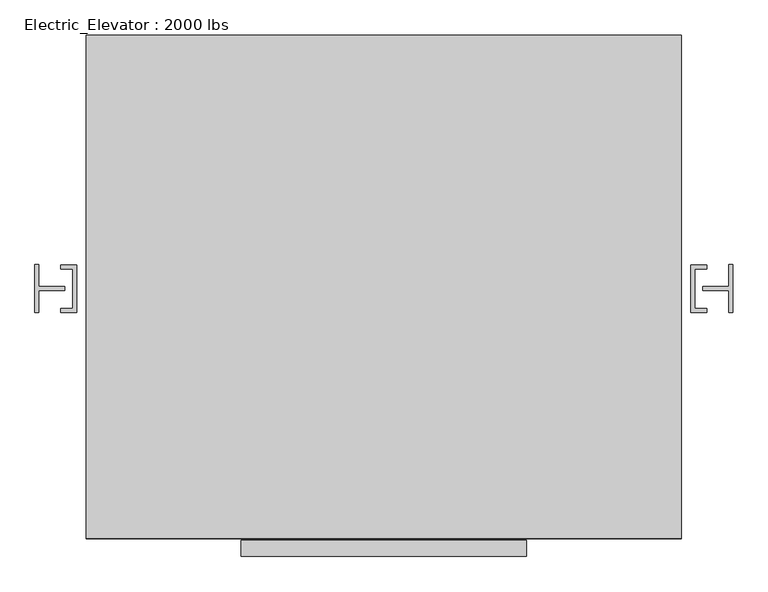
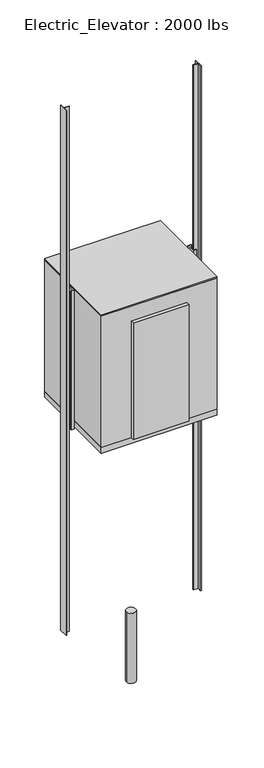
"""IFC4 building model written with IfcOpenShell, lengths in millimetres: proxy geometry, Electric_Elevator : 2000 lbs."""

from ifc_helpers import new_model, si_unit, point, frame, frame_2d, origin, origin_with_axes, place, context, project, spatial, polyline, circle_curve, trimmed, segment, composite_curve, outline, extrude, faceted_brep, source, transform, mapped, element, save


def electric_elevator_2000_lbs_15335e2c(model_context):
    return source(origin(), model_context, "Body", "SolidModel", [
        extrude(outline(polyline([(464.6469965, -854.4281737), (464.6469965, -905.2281737), (-449.7530035, -905.2281737), (-449.7530035, -854.4281737), (464.6469965, -854.4281737)])), frame((0.0, 0.0, 3657.6), z_axis=(0.0, 0.0, 1.0), x_axis=(1.0, 0.0, 0.0)), (0.0, 0.0, 1.0), 2032.0),
        extrude(outline(polyline([(959.9469965, 764.8218263), (959.9469965, -848.0781737), (-945.0530035, -848.0781737), (-945.0530035, 764.8218263), (959.9469965, 764.8218263)])), frame((0.0, 0.0, 5943.6), z_axis=(0.0, 0.0, 1.0), x_axis=(1.0, 0.0, 0.0)), (0.0, 0.0, 1.0), 25.4),
        extrude(outline(composite_curve([segment(trimmed(circle_curve(frame_2d((7.4469965, -47.9781737)), 76.2), [point((-68.7530035, -47.9781737))], [point((83.6469965, -47.9781737))], False, "CARTESIAN"), True, "CONTINUOUS"), segment(trimmed(circle_curve(frame_2d((7.4469965, -47.9781737)), 76.2), [point((83.6469965, -47.9781737))], [point((-68.7530035, -47.9781737))], False, "CARTESIAN"), True, "CONTINUOUS")], self_intersect=False)), frame((0.0, 0.0, -1219.2), z_axis=(0.0, 0.0, 1.0), x_axis=(1.0, 0.0, 0.0)), (0.0, 0.0, 1.0), 1219.2),
        faceted_brep([(959.9469965, 764.8218263, 5943.6), (-945.0530035, 764.8218263, 5943.6), (-945.0530035, -848.0781737, 5943.6), (959.9469965, -848.0781737, 5943.6), (921.8469965, 714.0218263, 5943.6), (921.8469965, -809.9781737, 5943.6), (-906.9530035, -809.9781737, 5943.6), (-906.9530035, 714.0218263, 5943.6), (921.8469965, 714.0218263, 3657.6), (-906.9530035, 714.0218263, 3657.6), (-906.9530035, -809.9781737, 3657.6), (-449.7530035, -809.9781737, 3657.6), (-449.7530035, -848.0781737, 3657.6), (-945.0530035, -848.0781737, 3657.6), (-945.0530035, 764.8218263, 3657.6), (959.9469965, 764.8218263, 3657.6), (959.9469965, -848.0781737, 3657.6), (464.6469965, -848.0781737, 3657.6), (464.6469965, -809.9781737, 3657.6), (921.8469965, -809.9781737, 3657.6), (464.6469965, -809.9781737, 5689.6), (-449.7530035, -809.9781737, 5689.6), (-449.7530035, -848.0781737, 5689.6), (464.6469965, -848.0781737, 5689.6)], [[[0, 1, 2, 3], [4, 5, 6, 7]], [[8, 9, 10, 11, 12, 13, 14, 15, 16, 17, 18, 19]], [[5, 4, 8, 19]], [[6, 5, 19, 18, 20, 21, 11, 10]], [[7, 6, 10, 9]], [[4, 7, 9, 8]], [[1, 0, 15, 14]], [[2, 1, 14, 13]], [[3, 2, 13, 12, 22, 23, 17, 16]], [[0, 3, 16, 15]], [[22, 21, 20, 23]], [[21, 22, 12, 11]], [[23, 20, 18, 17]]]),
        extrude(outline(polyline([(959.9469965, 764.8218263), (959.9469965, -848.0781737), (-945.0530035, -848.0781737), (-945.0530035, 764.8218263), (959.9469965, 764.8218263)])), frame((0.0, 0.0, 3556.0), z_axis=(0.0, 0.0, 1.0), x_axis=(1.0, 0.0, 0.0)), (0.0, 0.0, 1.0), 101.6),
        extrude(outline(polyline([(-976.8030035, 28.2218263), (-976.8030035, -124.1781737), (-1027.6030035, -124.1781737), (-1027.6030035, -111.4781737), (-989.5030035, -111.4781737), (-989.5030035, 15.5218263), (-1027.6030035, 15.5218263), (-1027.6030035, 28.2218263), (-976.8030035, 28.2218263)])), frame((0.0, 0.0, 3556.0), z_axis=(0.0, 0.0, 1.0), x_axis=(1.0, 0.0, 0.0)), (0.0, 0.0, 1.0), 2413.0),
        extrude(outline(polyline([(991.6969965, 28.2218263), (1042.4969965, 28.2218263), (1042.4969965, 15.5218263), (1004.3969965, 15.5218263), (1004.3969965, -111.4781737), (1042.4969965, -111.4781737), (1042.4969965, -124.1781737), (991.6969965, -124.1781737), (991.6969965, 28.2218263)])), frame((0.0, 0.0, 3556.0), z_axis=(0.0, 0.0, 1.0), x_axis=(1.0, 0.0, 0.0)), (0.0, 0.0, 1.0), 2413.0),
        extrude(outline(polyline([(-1097.4530035, 28.2218263), (-1097.4530035, -41.6281737), (-1014.9030035, -41.6281737), (-1014.9030035, -54.3281737), (-1097.4530035, -54.3281737), (-1097.4530035, -124.1781737), (-1110.1530035, -124.1781737), (-1110.1530035, 28.2218263), (-1097.4530035, 28.2218263)])), origin_with_axes(), (0.0, 0.0, 1.0), 9144.0),
        extrude(outline(polyline([(1112.3469965, 28.2218263), (1125.0469965, 28.2218263), (1125.0469965, -124.1781737), (1112.3469965, -124.1781737), (1112.3469965, -54.3281737), (1029.7969965, -54.3281737), (1029.7969965, -41.6281737), (1112.3469965, -41.6281737), (1112.3469965, 28.2218263)])), origin_with_axes(), (0.0, 0.0, 1.0), 9144.0),
    ])


if __name__ == "__main__":
    model = new_model("IFC4")
    model_context = context("Model", 3, world=origin())
    ifc_project = project(units=[si_unit("LENGTHUNIT", "METRE", prefix="MILLI")], contexts=[model_context])
    site = spatial("IfcSite", under=ifc_project)
    building = spatial("IfcBuilding", under=site)
    placement = place(None, origin())
    electric_elevator_2000_lbs_shape = electric_elevator_2000_lbs_15335e2c(model_context)
    element("IfcBuildingElementProxy", 1, Name="Electric_Elevator : 2000 lbs", ObjectType="Electric_Elevator : 2000 lbs", at=placement, inside=building, context=model_context, shape_type="MappedRepresentation", body=[
        mapped(electric_elevator_2000_lbs_shape, transform((0.0, 0.0, 0.0), x_axis=(1.0, 0.0, 0.0), y_axis=(0.0, 1.0, 0.0), z_axis=(0.0, 0.0, 1.0))),
    ])
    save(model, "model.ifc")
